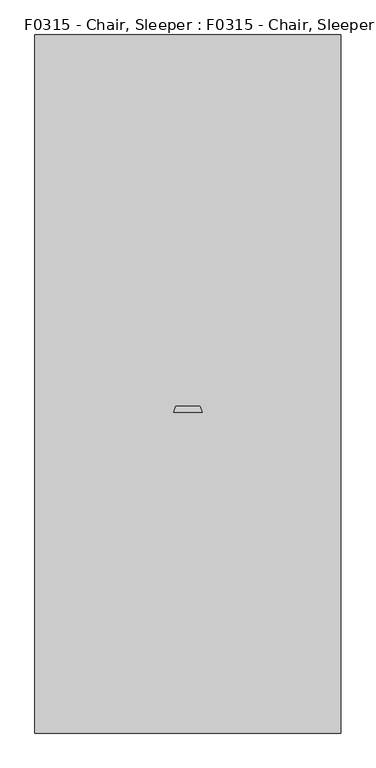
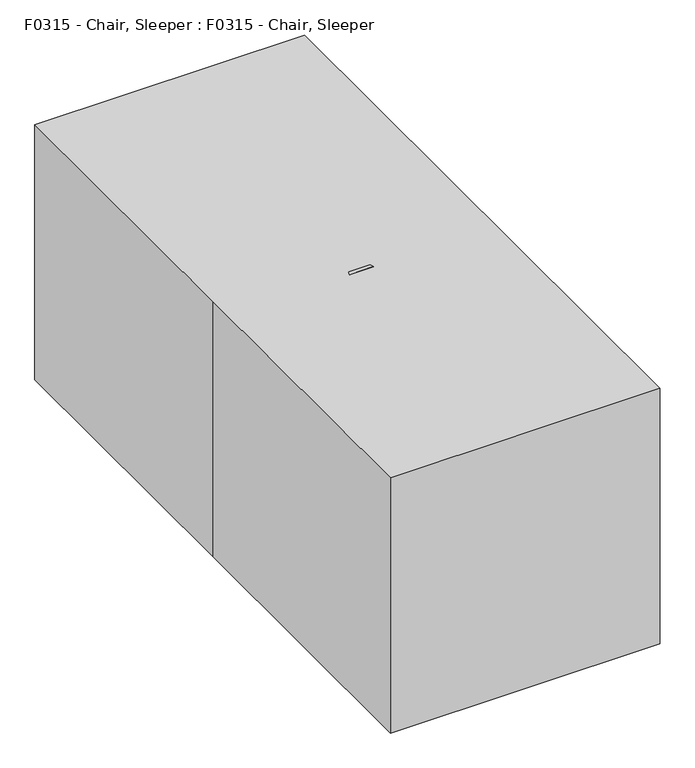
"""IFC4 building model written with IfcOpenShell, lengths in millimetres: proxy geometry, F0315 - Chair, Sleeper : F0315 - Chair, Sleeper."""

from ifc_helpers import new_model, si_unit, point, frame, frame_2d, origin, origin_with_axes, place, context, project, spatial, polyline, circle_curve, trimmed, segment, composite_curve, outline, extrude, source, transform, mapped, element, save


def f0315_chair_sleeper_f0315_chair_sleeper_1778cd92(model_context):
    return source(origin(), model_context, "Body", "SweptSolid", [
        extrude(outline(polyline([(368.3, 38.1), (-368.3, 38.1), (-368.3, 101.6), (368.3, 101.6), (368.3, 38.1)])), frame((0.0, 0.0, 19.05), z_axis=(0.0, 0.0, 1.0), x_axis=(1.0, 0.0, 0.0)), (0.0, 0.0, 1.0), 793.75),
        extrude(outline(composite_curve([segment(polyline([(730.25, 0.0), (730.25, -457.2)]), True, "CONTINUOUS"), segment(trimmed(circle_curve(frame_2d((368.3, -249.3818182)), 417.3681818), [point((730.25, -457.2))], [point((6.35, -457.2))], False, "CARTESIAN"), True, "CONTINUOUS"), segment(polyline([(6.35, -457.2), (6.35, 0.0), (730.25, 0.0)]), True, "CONTINUOUS")], self_intersect=False)), frame((368.3, -36.0313906, 321.1167999), z_axis=(0.0, -0.9975640502598243, 0.06975647374412544), x_axis=(-1.0, 0.0, 0.0)), (0.0, 0.0, 1.0), 101.6),
        extrude(outline(composite_curve([segment(trimmed(circle_curve(frame_2d((-725.3762413, 33.3089154)), 31.75), [point((-757.1262413, 33.3089154))], [point((-693.6262413, 33.3089154))], False, "CARTESIAN"), True, "CONTINUOUS"), segment(trimmed(circle_curve(frame_2d((-725.3762413, 33.3089154)), 31.75), [point((-693.6262413, 33.3089154))], [point((-757.1262413, 33.3089154))], False, "CARTESIAN"), True, "CONTINUOUS")], self_intersect=False)), frame((374.65, 0.0, 0.0), z_axis=(1.0, 0.0, 0.0), x_axis=(0.0, 1.0, 0.0)), (0.0, 0.0, 1.0), 50.8),
        extrude(outline(polyline([(368.3, -771.7843123), (368.3, -679.45), (431.8, -679.45), (431.8, -771.7843123), (368.3, -771.7843123)])), frame((0.0, 0.0, 66.4991051), z_axis=(0.0, 0.0, 1.0), x_axis=(1.0, 0.0, 0.0)), (0.0, 0.0, 1.0), 35.1008949),
        extrude(outline(polyline([(95.25, 76.2), (77.6578438, 0.0), (20.5078438, 0.0), (2.9156877, 76.2), (2.9156877, 101.6), (95.25, 101.6), (95.25, 76.2)])), frame((368.3, 0.0, 0.0), z_axis=(1.0, 0.0, 0.0), x_axis=(0.0, 1.0, 0.0)), (0.0, 0.0, 1.0), 63.5),
        extrude(outline(composite_curve([segment(polyline([(-101.6, 0.0), (-673.1, 0.0), (-673.1, 101.6), (-774.7, 101.6), (-774.7, 593.6989762)]), True, "CONTINUOUS"), segment(trimmed(circle_curve(frame_2d((-101.6, -2941.9810238)), 3599.18), [point((-774.7, 593.6989762))], [point((-101.6, 657.1989762))], False, "CARTESIAN"), True, "CONTINUOUS"), segment(polyline([(-101.6, 657.1989762), (-101.6, 0.0)]), True, "CONTINUOUS")], self_intersect=False)), frame((368.3, 0.0, 0.0), z_axis=(1.0, 0.0, 0.0), x_axis=(0.0, 1.0, 0.0)), (0.0, 0.0, 1.0), 63.5),
        extrude(outline(composite_curve([segment(polyline([(0.0, 101.6), (0.0, 0.0), (-101.6, 0.0), (-101.6, 609.6)]), True, "CONTINUOUS"), segment(trimmed(circle_curve(frame_2d((152.4, 609.6)), 254.0), [point((-101.6, 609.6))], [point((0.0, 812.8))], False, "CARTESIAN"), True, "CONTINUOUS"), segment(polyline([(0.0, 812.8), (101.6, 812.8), (101.6, 101.6), (0.0, 101.6)]), True, "CONTINUOUS")], self_intersect=False)), frame((368.3, 0.0, 0.0), z_axis=(1.0, 0.0, 0.0), x_axis=(0.0, 1.0, 0.0)), (0.0, 0.0, 1.0), 63.5),
        extrude(outline(composite_curve([segment(trimmed(circle_curve(frame_2d((-725.3762413, 33.3089154)), 31.75), [point((-757.1262413, 33.3089154))], [point((-693.6262413, 33.3089154))], False, "CARTESIAN"), True, "CONTINUOUS"), segment(trimmed(circle_curve(frame_2d((-725.3762413, 33.3089154)), 31.75), [point((-693.6262413, 33.3089154))], [point((-757.1262413, 33.3089154))], False, "CARTESIAN"), True, "CONTINUOUS")], self_intersect=False)), frame((-425.45, 0.0, 0.0), z_axis=(1.0, 0.0, 0.0), x_axis=(0.0, 1.0, 0.0)), (0.0, 0.0, 1.0), 50.8),
        extrude(outline(composite_curve([segment(polyline([(431.8, 342.9), (431.8, -342.9)]), True, "CONTINUOUS"), segment(trimmed(circle_curve(frame_2d((406.4, -342.9)), 25.4), [point((431.8, -342.9))], [point((406.4, -368.3))], False, "CARTESIAN"), True, "CONTINUOUS"), segment(polyline([(406.4, -368.3), (330.2, -368.3), (330.2, 368.3), (406.4, 368.3)]), True, "CONTINUOUS"), segment(trimmed(circle_curve(frame_2d((406.4, 342.9)), 25.4), [point((406.4, 368.3))], [point((431.8, 342.9))], False, "CARTESIAN"), True, "CONTINUOUS")], self_intersect=False)), frame((0.0, -812.8, 0.0), z_axis=(0.0, 1.0, 0.0), x_axis=(0.0, 0.0, 1.0)), (0.0, 0.0, 1.0), 675.7218901),
        extrude(outline(polyline([(-368.3, -679.45), (-368.3, -771.7843123), (-431.8, -771.7843123), (-431.8, -679.45), (-368.3, -679.45)])), frame((0.0, 0.0, 66.4991051), z_axis=(0.0, 0.0, 1.0), x_axis=(1.0, 0.0, 0.0)), (0.0, 0.0, 1.0), 35.1008949),
        extrude(outline(polyline([(368.3, -762.0), (368.3, -812.8), (-368.3, -812.8), (-368.3, -762.0), (368.3, -762.0)])), frame((0.0, 0.0, 19.05), z_axis=(0.0, 0.0, 1.0), x_axis=(1.0, 0.0, 0.0)), (0.0, 0.0, 1.0), 304.8),
        extrude(outline(polyline([(95.25, 76.2), (77.6578438, 0.0), (20.5078438, 0.0), (2.9156877, 76.2), (2.9156877, 101.6), (95.25, 101.6), (95.25, 76.2)])), frame((-431.8, 0.0, 0.0), z_axis=(1.0, 0.0, 0.0), x_axis=(0.0, 1.0, 0.0)), (0.0, 0.0, 1.0), 63.5),
        extrude(outline(composite_curve([segment(polyline([(-101.6, 0.0), (-673.1, 0.0), (-673.1, 101.6), (-774.7, 101.6), (-774.7, 593.6989762)]), True, "CONTINUOUS"), segment(trimmed(circle_curve(frame_2d((-101.6, -2941.9810238)), 3599.18), [point((-774.7, 593.6989762))], [point((-101.6, 657.1989762))], False, "CARTESIAN"), True, "CONTINUOUS"), segment(polyline([(-101.6, 657.1989762), (-101.6, 0.0)]), True, "CONTINUOUS")], self_intersect=False)), frame((-431.8, 0.0, 0.0), z_axis=(1.0, 0.0, 0.0), x_axis=(0.0, 1.0, 0.0)), (0.0, 0.0, 1.0), 63.5),
        extrude(outline(composite_curve([segment(polyline([(0.0, 101.6), (0.0, 0.0), (-101.6, 0.0), (-101.6, 609.6)]), True, "CONTINUOUS"), segment(trimmed(circle_curve(frame_2d((152.4, 609.6)), 254.0), [point((-101.6, 609.6))], [point((0.0, 812.8))], False, "CARTESIAN"), True, "CONTINUOUS"), segment(polyline([(0.0, 812.8), (101.6, 812.8), (101.6, 101.6), (0.0, 101.6)]), True, "CONTINUOUS")], self_intersect=False)), frame((-431.8, 0.0, 0.0), z_axis=(1.0, 0.0, 0.0), x_axis=(0.0, 1.0, 0.0)), (0.0, 0.0, 1.0), 63.5),
        extrude(outline(polyline([(-495.3, 1130.3), (495.3, 1130.3), (495.3, -1130.3), (-495.3, -1130.3), (-495.3, 0.0), (-495.3, 1130.3)])), origin_with_axes(), (0.0, 0.0, 1.0), 990.6),
    ])


if __name__ == "__main__":
    model = new_model("IFC4")
    model_context = context("Model", 3, world=origin())
    ifc_project = project(units=[si_unit("LENGTHUNIT", "METRE", prefix="MILLI")], contexts=[model_context])
    site = spatial("IfcSite", under=ifc_project)
    building = spatial("IfcBuilding", under=site)
    placement = place(None, origin())
    f0315_chair_sleeper_f0315_chair_sleeper_shape = f0315_chair_sleeper_f0315_chair_sleeper_1778cd92(model_context)
    element("IfcBuildingElementProxy", 1, Name="F0315 - Chair, Sleeper : F0315 - Chair, Sleeper", ObjectType="F0315 - Chair, Sleeper : F0315 - Chair, Sleeper", at=placement, inside=building, context=model_context, shape_type="MappedRepresentation", body=[
        mapped(f0315_chair_sleeper_f0315_chair_sleeper_shape, transform((0.0, 0.0, 0.0), x_axis=(1.0, 0.0, 0.0), y_axis=(0.0, 1.0, 0.0), z_axis=(0.0, 0.0, 1.0))),
    ])
    save(model, "model.ifc")
